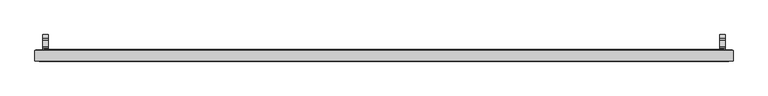
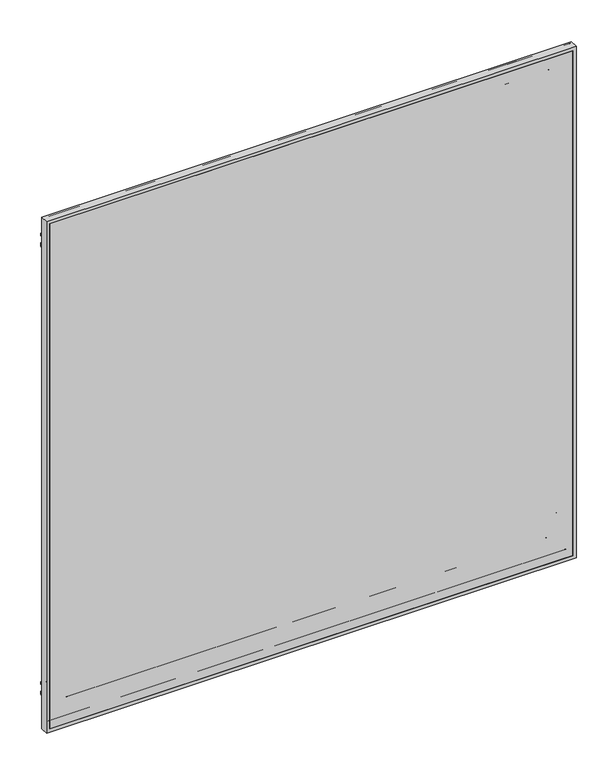
"""IFC4 building model written with IfcOpenShell, lengths in millimetres: proxy geometry."""

from ifc_helpers import new_model, si_unit, point, frame, frame_2d, origin, place, context, project, spatial, polyline, circle_curve, ellipse_curve, trimmed, segment, composite_curve, outline, extrude, source, transform, mapped, element, save
from ifc_brep_helpers import plane_surface, cylinder_surface, advanced_brep


def specialty_equipment_284dc39b(model_context):
    return source(origin(), model_context, "Body", "SolidModel", [
        advanced_brep(
        [(-624.5838789, -9.1390123, 46.5862514), (463.0313039, -9.1390123, 46.5862514), (463.3007116, -8.26542, 46.3168437), (-624.8532866, -8.26542, 46.3168437), (-625.7576943, -10.3128277, 45.412436), (464.2051193, -10.3128277, 45.412436), (-618.6710943, -9.1390123, 52.499036), (457.1185193, -9.1390123, 52.499036), (455.9447039, -10.3128277, 53.6728514), (-617.4972789, -10.3128277, 53.6728514), (-618.4016866, -8.26542, 52.7684437), (456.8491116, -8.26542, 52.7684437), (-602.1202866, -9.40842, 69.0498437), (440.5677116, -9.40842, 69.0498437), (441.3297116, -8.26542, 68.2878437), (-602.8822866, -8.26542, 68.2878437), (-589.8012866, -16.52042, 81.3688437), (428.2487116, -16.52042, 81.3688437), (428.2487116, -9.40842, 81.3688437), (-589.8012866, -9.40842, 81.3688437), (-673.6594429, -9.78942, -2.4893126), (512.1068679, -9.78942, -2.4893126), (512.1068679, -27.57958, -2.4893126), (-673.6594429, -27.57958, -2.4893126), (-672.1354429, -8.26542, -0.9653126), (510.5828679, -8.26542, -0.9653126), (-670.0880352, -9.1390123, 1.082095), (508.5354603, -9.1390123, 1.082095), (508.8048679, -8.26542, 0.8126874), (-670.3574429, -8.26542, 0.8126874), (-671.2618506, -10.3128277, -0.0917203), (509.7092756, -10.3128277, -0.0917203), (-661.3430943, -9.1390123, 9.827036), (499.7905193, -9.1390123, 9.827036), (498.6167039, -10.3128277, 11.0008514), (-660.1692789, -10.3128277, 11.0008514), (-661.0736866, -8.26542, 10.0964437), (499.5211116, -8.26542, 10.0964437), (-656.1841866, -8.26542, 14.9859437), (494.6316116, -8.26542, 14.9859437), (496.1556116, -8.26542, 13.4619437), (-657.7081866, -8.26542, 13.4619437), (-650.2151866, -8.26542, 20.9549437), (488.6626116, -8.26542, 20.9549437), (491.0756116, -8.26542, 18.5419437), (-652.6281866, -8.26542, 18.5419437), (463.0313039, -9.1390123, 1157.424436), (463.3007116, -8.26542, 1157.6938437), (464.2051193, -10.3128277, 1158.5982514), (457.1185193, -9.1390123, 1151.5116514), (455.9447039, -10.3128277, 1150.337836), (456.8491116, -8.26542, 1151.2422437), (440.5677116, -9.40842, 1134.9608437), (441.3297116, -8.26542, 1135.7228437), (428.2487116, -16.52042, 1122.6418437), (428.2487116, -9.40842, 1122.6418437), (512.1068679, -9.78942, 1206.5), (512.1068679, -27.57958, 1206.5), (510.5828679, -8.26542, 1204.976), (508.5354603, -9.1390123, 1202.9285923), (508.8048679, -8.26542, 1203.198), (509.7092756, -10.3128277, 1204.1024077), (499.7905193, -9.1390123, 1194.1836514), (498.6167039, -10.3128277, 1193.009836), (499.5211116, -8.26542, 1193.9142437), (494.6316116, -8.26542, 1189.0247437), (496.1556116, -8.26542, 1190.5487437), (488.6626116, -8.26542, 1183.0557437), (491.0756116, -8.26542, 1185.4687437), (-624.5838789, -9.1390123, 1157.424436), (-624.8532866, -8.26542, 1157.6938437), (-625.7576943, -10.3128277, 1158.5982514), (-618.6710943, -9.1390123, 1151.5116514), (-617.4972789, -10.3128277, 1150.337836), (-618.4016866, -8.26542, 1151.2422437), (-602.1202866, -9.40842, 1134.9608437), (-602.8822866, -8.26542, 1135.7228437), (-589.8012866, -16.52042, 1122.6418437), (-589.8012866, -9.40842, 1122.6418437), (-673.6594429, -9.78942, 1206.5), (-673.6594429, -27.57958, 1206.5), (-672.1354429, -8.26542, 1204.976), (-670.0880352, -9.1390123, 1202.9285923), (-670.3574429, -8.26542, 1203.198), (-671.2618506, -10.3128277, 1204.1024077), (-661.3430943, -9.1390123, 1194.1836514), (-660.1692789, -10.3128277, 1193.009836), (-661.0736866, -8.26542, 1193.9142437), (-656.1841866, -8.26542, 1189.0247437), (-657.7081866, -8.26542, 1190.5487437), (-650.2151866, -8.26542, 1183.0557437), (-652.6281866, -8.26542, 1185.4687437), (-666.2934429, -27.57958, 4.8766874), (504.7408679, -27.57958, 4.8766874), (504.7408679, -16.52042, 4.8766874), (-666.2934429, -16.52042, 4.8766874), (504.7408679, -27.57958, 1199.134), (504.7408679, -16.52042, 1199.134), (-666.2934429, -27.57958, 1199.134), (-666.2934429, -16.52042, 1199.134)],
        [
            (0, 1),
            (1, 2, ellipse_curve(frame((463.3968963, -8.77342, 46.220659), z_axis=(-0.7071067811865475, 0.0, -0.7071067811865475), x_axis=(-0.7071067811865476, 0.0, 0.7071067811865474)), 0.7311846, 0.5170256)),
            (2, 3),
            (3, 0, ellipse_curve(frame((-624.9494712, -8.77342, 46.220659), z_axis=(0.7071067811865475, 0.0, -0.7071067811865475), x_axis=(-0.7071067811865476, 0.0, -0.7071067811865474)), 0.7311846, 0.5170256)),
            (4, 5),
            (5, 1),
            (0, 4),
            (6, 7),
            (7, 8),
            (8, 9),
            (9, 6),
            (10, 11),
            (11, 7, ellipse_curve(frame((456.752927, -8.77342, 52.8646283), z_axis=(-0.7071067811865475, 0.0, -0.7071067811865475), x_axis=(-0.7071067811865476, 0.0, 0.7071067811865474)), 0.7311846, 0.5170256)),
            (6, 10, ellipse_curve(frame((-618.305502, -8.77342, 52.8646283), z_axis=(0.7071067811865475, 0.0, -0.7071067811865475), x_axis=(-0.7071067811865476, 0.0, -0.7071067811865474)), 0.7311846, 0.5170256)),
            (12, 13),
            (13, 14),
            (14, 15),
            (15, 12),
            (16, 17),
            (17, 18),
            (18, 19),
            (19, 16),
            (20, 21),
            (21, 22),
            (22, 23),
            (23, 20),
            (24, 25),
            (25, 21),
            (20, 24),
            (26, 27),
            (27, 28, ellipse_curve(frame((508.9010526, -8.77342, 0.7165027), z_axis=(-0.7071067811865475, 0.0, -0.7071067811865475), x_axis=(-0.7071067811865476, 0.0, 0.7071067811865474)), 0.7311846, 0.5170256)),
            (28, 29),
            (29, 26, ellipse_curve(frame((-670.4536275, -8.77342, 0.7165027), z_axis=(0.7071067811865475, 0.0, -0.7071067811865475), x_axis=(-0.7071067811865476, 0.0, -0.7071067811865474)), 0.7311846, 0.5170256)),
            (30, 31),
            (31, 27),
            (26, 30),
            (32, 33),
            (33, 34),
            (34, 35),
            (35, 32),
            (36, 37),
            (37, 33, ellipse_curve(frame((499.424927, -8.77342, 10.1926283), z_axis=(-0.7071067811865475, 0.0, -0.7071067811865475), x_axis=(-0.7071067811865476, 0.0, 0.7071067811865474)), 0.7311846, 0.5170256)),
            (32, 36, ellipse_curve(frame((-660.977502, -8.77342, 10.1926283), z_axis=(0.7071067811865475, 0.0, -0.7071067811865475), x_axis=(-0.7071067811865476, 0.0, -0.7071067811865474)), 0.7311846, 0.5170256)),
            (38, 39),
            (39, 40, ellipse_curve(frame((495.3936116, -8.26542, 14.2239437), z_axis=(-0.7071067811865475, 0.0, -0.7071067811865475), x_axis=(-0.7071067811865476, 0.0, 0.7071067811865474)), 1.0776307, 0.762)),
            (40, 41),
            (41, 38, ellipse_curve(frame((-656.9461866, -8.26542, 14.2239437), z_axis=(0.7071067811865475, 0.0, -0.7071067811865475), x_axis=(-0.7071067811865476, 0.0, -0.7071067811865474)), 1.0776307, 0.762)),
            (42, 43),
            (43, 44, ellipse_curve(frame((489.8691116, -8.9837931, 19.7484437), z_axis=(-0.7071067811865475, 0.0, -0.7071067811865475), x_axis=(-0.7071067811865476, 0.0, 0.7071067811865474)), 1.9858007, 1.4041731)),
            (44, 45),
            (45, 42, ellipse_curve(frame((-651.4216866, -8.9837931, 19.7484437), z_axis=(0.7071067811865475, 0.0, -0.7071067811865475), x_axis=(-0.7071067811865476, 0.0, -0.7071067811865474)), 1.9858007, 1.4041731)),
            (1, 46),
            (46, 47, ellipse_curve(frame((463.3968963, -8.77342, 1157.7900283), z_axis=(0.7071067811865475, 0.0, -0.7071067811865475), x_axis=(-0.7071067811865474, 0.0, -0.7071067811865476)), 0.7311846, 0.5170256)),
            (47, 2),
            (5, 48),
            (48, 46),
            (7, 49),
            (49, 50),
            (50, 8),
            (11, 51),
            (51, 49, ellipse_curve(frame((456.752927, -8.77342, 1151.146059), z_axis=(0.7071067811865475, 0.0, -0.7071067811865475), x_axis=(-0.7071067811865474, 0.0, -0.7071067811865476)), 0.7311846, 0.5170256)),
            (13, 52),
            (52, 53),
            (53, 14),
            (17, 54),
            (54, 55),
            (55, 18),
            (21, 56),
            (56, 57),
            (57, 22),
            (25, 58),
            (58, 56),
            (27, 59),
            (59, 60, ellipse_curve(frame((508.9010526, -8.77342, 1203.2941846), z_axis=(0.7071067811865475, 0.0, -0.7071067811865475), x_axis=(-0.7071067811865474, 0.0, -0.7071067811865476)), 0.7311846, 0.5170256)),
            (60, 28),
            (31, 61),
            (61, 59),
            (33, 62),
            (62, 63),
            (63, 34),
            (37, 64),
            (64, 62, ellipse_curve(frame((499.424927, -8.77342, 1193.818059), z_axis=(0.7071067811865475, 0.0, -0.7071067811865475), x_axis=(-0.7071067811865474, 0.0, -0.7071067811865476)), 0.7311846, 0.5170256)),
            (39, 65),
            (65, 66, ellipse_curve(frame((495.3936116, -8.26542, 1189.7867437), z_axis=(0.7071067811865475, 0.0, -0.7071067811865475), x_axis=(-0.7071067811865474, 0.0, -0.7071067811865476)), 1.0776307, 0.762)),
            (66, 40),
            (43, 67),
            (67, 68, ellipse_curve(frame((489.8691116, -8.9837931, 1184.2622437), z_axis=(0.7071067811865475, 0.0, -0.7071067811865475), x_axis=(-0.7071067811865474, 0.0, -0.7071067811865476)), 1.9858007, 1.4041731)),
            (68, 44),
            (46, 69),
            (69, 70, ellipse_curve(frame((-624.9494712, -8.77342, 1157.7900283), z_axis=(0.7071067811865475, 0.0, 0.7071067811865475), x_axis=(0.7071067811865476, 0.0, -0.7071067811865474)), 0.7311846, 0.5170256)),
            (70, 47),
            (48, 71),
            (71, 69),
            (49, 72),
            (72, 73),
            (73, 50),
            (51, 74),
            (74, 72, ellipse_curve(frame((-618.305502, -8.77342, 1151.146059), z_axis=(0.7071067811865475, 0.0, 0.7071067811865475), x_axis=(0.7071067811865476, 0.0, -0.7071067811865474)), 0.7311846, 0.5170256)),
            (52, 75),
            (75, 76),
            (76, 53),
            (54, 77),
            (77, 78),
            (78, 55),
            (56, 79),
            (79, 80),
            (80, 57),
            (58, 81),
            (81, 79),
            (59, 82),
            (82, 83, ellipse_curve(frame((-670.4536275, -8.77342, 1203.2941846), z_axis=(0.7071067811865475, 0.0, 0.7071067811865475), x_axis=(0.7071067811865476, 0.0, -0.7071067811865474)), 0.7311846, 0.5170256)),
            (83, 60),
            (61, 84),
            (84, 82),
            (62, 85),
            (85, 86),
            (86, 63),
            (64, 87),
            (87, 85, ellipse_curve(frame((-660.977502, -8.77342, 1193.818059), z_axis=(0.7071067811865475, 0.0, 0.7071067811865475), x_axis=(0.7071067811865476, 0.0, -0.7071067811865474)), 0.7311846, 0.5170256)),
            (65, 88),
            (88, 89, ellipse_curve(frame((-656.9461866, -8.26542, 1189.7867437), z_axis=(0.7071067811865475, 0.0, 0.7071067811865475), x_axis=(0.7071067811865476, 0.0, -0.7071067811865474)), 1.0776307, 0.762)),
            (89, 66),
            (67, 90),
            (90, 91, ellipse_curve(frame((-651.4216866, -8.9837931, 1184.2622437), z_axis=(0.7071067811865475, 0.0, 0.7071067811865475), x_axis=(0.7071067811865476, 0.0, -0.7071067811865474)), 1.9858007, 1.4041731)),
            (91, 68),
            (42, 90),
            (70, 3),
            (69, 0),
            (71, 4),
            (73, 9),
            (72, 6),
            (74, 10),
            (76, 15),
            (75, 12),
            (78, 19),
            (77, 16),
            (79, 20),
            (23, 80),
            (81, 24),
            (83, 29),
            (82, 26),
            (84, 30),
            (86, 35),
            (85, 32),
            (87, 36),
            (89, 41),
            (88, 38),
            (91, 45),
            (92, 93),
            (93, 94),
            (94, 95),
            (95, 92),
            (93, 96),
            (96, 97),
            (97, 94),
            (96, 98),
            (98, 99),
            (99, 97),
            (99, 95),
            (98, 92),
        ],
        [
            cylinder_surface(frame((-589.8012866, -8.77342, 46.220659), z_axis=(-1.0, 0.0, 0.0), x_axis=(0.0, 0.0, 1.0)), 0.5170256),
            plane_surface(frame((-624.5838789, -9.1390123, 46.5862514), z_axis=(0.0, -0.7071067813015153, 0.7071067810715799), x_axis=(1.0, 0.0, 0.0))),
            plane_surface(frame((-617.4972789, -10.3128277, 53.6728514), z_axis=(0.0, -0.7071067813016508, -0.7071067810714443), x_axis=(1.0, 0.0, 0.0))),
            cylinder_surface(frame((-589.8012866, -8.77342, 52.8646283), z_axis=(-1.0, 0.0, 0.0), x_axis=(0.0, 0.0, 1.0)), 0.5170256),
            plane_surface(frame((-602.8822866, -8.26542, 68.2878437), z_axis=(0.0, 0.55470019597669, 0.8320502945035365), x_axis=(1.0, 0.0, 0.0))),
            plane_surface(frame((-589.8012866, -9.40842, 81.3688437), z_axis=(0.0, 0.0, 1.0), x_axis=(1.0, 0.0, 0.0))),
            plane_surface(frame((-673.6594429, -27.57958, -2.4893126), z_axis=(0.0, 0.0, -1.0), x_axis=(1.0, 0.0, 0.0))),
            plane_surface(frame((-673.6594429, -9.78942, -2.4893126), z_axis=(0.0, 0.7071067810149522, -0.7071067813581429), x_axis=(1.0, 0.0, 0.0))),
            cylinder_surface(frame((-589.8012866, -8.77342, 0.7165027), z_axis=(-1.0, 0.0, 0.0), x_axis=(0.0, 0.0, 1.0)), 0.5170256),
            plane_surface(frame((-670.0880352, -9.1390123, 1.082095), z_axis=(0.0, -0.7071067811139136, 0.7071067812591816), x_axis=(1.0, 0.0, 0.0))),
            plane_surface(frame((-660.1692789, -10.3128277, 11.0008514), z_axis=(0.0, -0.707106781188025, -0.7071067811850702), x_axis=(1.0, 0.0, 0.0))),
            cylinder_surface(frame((-589.8012866, -8.77342, 10.1926283), z_axis=(-1.0, 0.0, 0.0), x_axis=(0.0, 0.0, 1.0)), 0.5170256),
            cylinder_surface(frame((-589.8012866, -8.26542, 14.2239437), z_axis=(-1.0, 0.0, 0.0), x_axis=(0.0, 0.0, 1.0)), 0.762),
            cylinder_surface(frame((-589.8012866, -8.9837931, 19.7484437), z_axis=(-1.0, 0.0, 0.0), x_axis=(0.0, 0.0, 1.0)), 1.4041731),
            cylinder_surface(frame((463.3968963, -8.77342, 81.3688437), z_axis=(0.0, 0.0, -1.0), x_axis=(-1.0, 0.0, 0.0)), 0.5170256),
            plane_surface(frame((463.0313039, -9.1390123, 46.5862514), z_axis=(-0.7071067810715701, -0.707106781301525, 0.0), x_axis=(0.0, 0.0, 1.0))),
            plane_surface(frame((455.9447039, -10.3128277, 53.6728514), z_axis=(0.7071067810714541, -0.7071067813016411, 0.0), x_axis=(0.0, 0.0, 1.0))),
            cylinder_surface(frame((456.752927, -8.77342, 81.3688437), z_axis=(0.0, 0.0, -1.0), x_axis=(-1.0, 0.0, 0.0)), 0.5170256),
            plane_surface(frame((441.3297116, -8.26542, 68.2878437), z_axis=(-0.8320502945035442, 0.5547001959766784, 0.0), x_axis=(0.0, 0.0, 1.0))),
            plane_surface(frame((428.2487116, -9.40842, 81.3688437), z_axis=(-1.0, 0.0, 0.0), x_axis=(0.0, 0.0, 1.0))),
            plane_surface(frame((512.1068679, -27.57958, -2.4893126), z_axis=(1.0, 0.0, 0.0), x_axis=(0.0, 0.0, 1.0))),
            plane_surface(frame((512.1068679, -9.78942, -2.4893126), z_axis=(0.7071067813581331, 0.7071067810149619, 0.0), x_axis=(0.0, 0.0, 1.0))),
            cylinder_surface(frame((508.9010526, -8.77342, 81.3688437), z_axis=(0.0, 0.0, -1.0), x_axis=(-1.0, 0.0, 0.0)), 0.5170256),
            plane_surface(frame((508.5354603, -9.1390123, 1.082095), z_axis=(-0.7071067812591718, -0.7071067811139233, 0.0), x_axis=(0.0, 0.0, 1.0))),
            plane_surface(frame((498.6167039, -10.3128277, 11.0008514), z_axis=(0.70710678118508, -0.7071067811880152, 0.0), x_axis=(0.0, 0.0, 1.0))),
            cylinder_surface(frame((499.424927, -8.77342, 81.3688437), z_axis=(0.0, 0.0, -1.0), x_axis=(-1.0, 0.0, 0.0)), 0.5170256),
            cylinder_surface(frame((495.3936116, -8.26542, 81.3688437), z_axis=(0.0, 0.0, -1.0), x_axis=(-1.0, 0.0, 0.0)), 0.762),
            cylinder_surface(frame((489.8691116, -8.9837931, 81.3688437), z_axis=(0.0, 0.0, -1.0), x_axis=(-1.0, 0.0, 0.0)), 1.4041731),
            cylinder_surface(frame((428.2487116, -8.77342, 1157.7900283), z_axis=(1.0, 0.0, 0.0), x_axis=(0.0, 0.0, -1.0)), 0.5170256),
            plane_surface(frame((463.0313039, -9.1390123, 1157.424436), z_axis=(0.0, -0.7071067813015348, -0.7071067810715603), x_axis=(-1.0, 0.0, 0.0))),
            plane_surface(frame((455.9447039, -10.3128277, 1150.337836), z_axis=(0.0, -0.7071067813016313, 0.7071067810714639), x_axis=(-1.0, 0.0, 0.0))),
            cylinder_surface(frame((428.2487116, -8.77342, 1151.146059), z_axis=(1.0, 0.0, 0.0), x_axis=(0.0, 0.0, -1.0)), 0.5170256),
            plane_surface(frame((441.3297116, -8.26542, 1135.7228437), z_axis=(0.0, 0.5547001959766669, -0.8320502945035518), x_axis=(-1.0, 0.0, 0.0))),
            plane_surface(frame((428.2487116, -9.40842, 1122.6418437), z_axis=(0.0, 0.0, -1.0), x_axis=(-1.0, 0.0, 0.0))),
            plane_surface(frame((512.1068679, -27.57958, 1206.5), z_axis=(0.0, 0.0, 1.0), x_axis=(-1.0, 0.0, 0.0))),
            plane_surface(frame((512.1068679, -9.78942, 1206.5), z_axis=(0.0, 0.7071067810149717, 0.7071067813581233), x_axis=(-1.0, 0.0, 0.0))),
            cylinder_surface(frame((428.2487116, -8.77342, 1203.2941846), z_axis=(1.0, 0.0, 0.0), x_axis=(0.0, 0.0, -1.0)), 0.5170256),
            plane_surface(frame((508.5354603, -9.1390123, 1202.9285923), z_axis=(0.0, -0.7071067811139331, -0.707106781259162), x_axis=(-1.0, 0.0, 0.0))),
            plane_surface(frame((498.6167039, -10.3128277, 1193.009836), z_axis=(0.0, -0.7071067811880054, 0.7071067811850897), x_axis=(-1.0, 0.0, 0.0))),
            cylinder_surface(frame((428.2487116, -8.77342, 1193.818059), z_axis=(1.0, 0.0, 0.0), x_axis=(0.0, 0.0, -1.0)), 0.5170256),
            cylinder_surface(frame((428.2487116, -8.26542, 1189.7867437), z_axis=(1.0, 0.0, 0.0), x_axis=(0.0, 0.0, -1.0)), 0.762),
            cylinder_surface(frame((428.2487116, -8.9837931, 1184.2622437), z_axis=(1.0, 0.0, 0.0), x_axis=(0.0, 0.0, -1.0)), 1.4041731),
            plane_surface(frame((-650.2151866, -8.26542, 1183.0557437), z_axis=(0.0, 1.0, 0.0), x_axis=(0.0, 0.0, -1.0))),
            cylinder_surface(frame((-624.9494712, -8.77342, 1122.6418437), z_axis=(0.0, 0.0, 1.0), x_axis=(1.0, 0.0, 0.0)), 0.5170256),
            plane_surface(frame((-624.5838789, -9.1390123, 1157.424436), z_axis=(0.7071067810715701, -0.707106781301525, 0.0), x_axis=(0.0, 0.0, -1.0))),
            plane_surface(frame((-625.7576943, -10.3128277, 1158.5982514), z_axis=(0.0, 1.0, 0.0), x_axis=(0.0, 0.0, -1.0))),
            plane_surface(frame((-617.4972789, -10.3128277, 1150.337836), z_axis=(-0.7071067810714541, -0.7071067813016411, 0.0), x_axis=(0.0, 0.0, -1.0))),
            cylinder_surface(frame((-618.305502, -8.77342, 1122.6418437), z_axis=(0.0, 0.0, 1.0), x_axis=(1.0, 0.0, 0.0)), 0.5170256),
            plane_surface(frame((-618.4016866, -8.26542, 1151.2422437), z_axis=(0.0, 1.0, 0.0), x_axis=(0.0, 0.0, -1.0))),
            plane_surface(frame((-602.8822866, -8.26542, 1135.7228437), z_axis=(0.8320502945035442, 0.5547001959766784, 0.0), x_axis=(0.0, 0.0, -1.0))),
            plane_surface(frame((-602.1202866, -9.40842, 1134.9608437), z_axis=(0.0, 1.0, 0.0), x_axis=(0.0, 0.0, -1.0))),
            plane_surface(frame((-589.8012866, -9.40842, 1122.6418437), z_axis=(1.0, 0.0, 0.0), x_axis=(0.0, 0.0, -1.0))),
            plane_surface(frame((-673.6594429, -27.57958, 1206.5), z_axis=(-1.0, 0.0, 0.0), x_axis=(0.0, 0.0, -1.0))),
            plane_surface(frame((-673.6594429, -9.78942, 1206.5), z_axis=(-0.7071067813581331, 0.7071067810149619, 0.0), x_axis=(0.0, 0.0, -1.0))),
            plane_surface(frame((-672.1354429, -8.26542, 1204.976), z_axis=(0.0, 1.0, 0.0), x_axis=(0.0, 0.0, -1.0))),
            cylinder_surface(frame((-670.4536275, -8.77342, 1122.6418437), z_axis=(0.0, 0.0, 1.0), x_axis=(1.0, 0.0, 0.0)), 0.5170256),
            plane_surface(frame((-670.0880352, -9.1390123, 1202.9285923), z_axis=(0.7071067812591718, -0.7071067811139233, 0.0), x_axis=(0.0, 0.0, -1.0))),
            plane_surface(frame((-671.2618506, -10.3128277, 1204.1024077), z_axis=(0.0, 1.0, 0.0), x_axis=(0.0, 0.0, -1.0))),
            plane_surface(frame((-660.1692789, -10.3128277, 1193.009836), z_axis=(-0.70710678118508, -0.7071067811880152, 0.0), x_axis=(0.0, 0.0, -1.0))),
            cylinder_surface(frame((-660.977502, -8.77342, 1122.6418437), z_axis=(0.0, 0.0, 1.0), x_axis=(1.0, 0.0, 0.0)), 0.5170256),
            plane_surface(frame((-661.0736866, -8.26542, 1193.9142437), z_axis=(0.0, 1.0, 0.0), x_axis=(0.0, 0.0, -1.0))),
            cylinder_surface(frame((-656.9461866, -8.26542, 1122.6418437), z_axis=(0.0, 0.0, 1.0), x_axis=(1.0, 0.0, 0.0)), 0.762),
            plane_surface(frame((-656.1841866, -8.26542, 1189.0247437), z_axis=(0.0, 1.0, 0.0), x_axis=(0.0, 0.0, -1.0))),
            cylinder_surface(frame((-651.4216866, -8.9837931, 1122.6418437), z_axis=(0.0, 0.0, 1.0), x_axis=(1.0, 0.0, 0.0)), 1.4041731),
            plane_surface(frame((-666.2934429, -16.52042, 4.8766874), z_axis=(0.0, 0.0, 1.0), x_axis=(1.0, 0.0, 0.0))),
            plane_surface(frame((504.7408679, -16.52042, 4.8766874), z_axis=(-1.0, 0.0, 0.0), x_axis=(0.0, 0.0, 1.0))),
            plane_surface(frame((504.7408679, -16.52042, 1199.134), z_axis=(0.0, 0.0, -1.0), x_axis=(-1.0, 0.0, 0.0))),
            plane_surface(frame((-589.8012866, -16.52042, 1122.6418437), z_axis=(0.0, -1.0, 0.0), x_axis=(0.0, 0.0, -1.0))),
            plane_surface(frame((-666.2934429, -16.52042, 1199.134), z_axis=(1.0, 0.0, 0.0), x_axis=(0.0, 0.0, -1.0))),
            plane_surface(frame((-666.2934429, -27.57958, 1199.134), z_axis=(0.0, -1.0, 0.0), x_axis=(0.0, 0.0, -1.0))),
        ],
        [
            (0, [[1, 2, 3, 4]]),
            (1, [[5, 6, -1, 7]]),
            (2, [[8, 9, 10, 11]]),
            (3, [[12, 13, -8, 14]]),
            (4, [[15, 16, 17, 18]]),
            (5, [[19, 20, 21, 22]]),
            (6, [[23, 24, 25, 26]]),
            (7, [[27, 28, -23, 29]]),
            (8, [[30, 31, 32, 33]]),
            (9, [[34, 35, -30, 36]]),
            (10, [[37, 38, 39, 40]]),
            (11, [[41, 42, -37, 43]]),
            (12, [[44, 45, 46, 47]]),
            (13, [[48, 49, 50, 51]]),
            (14, [[52, 53, 54, -2]]),
            (15, [[55, 56, -52, -6]]),
            (16, [[57, 58, 59, -9]]),
            (17, [[60, 61, -57, -13]]),
            (18, [[62, 63, 64, -16]]),
            (19, [[65, 66, 67, -20]]),
            (20, [[68, 69, 70, -24]]),
            (21, [[71, 72, -68, -28]]),
            (22, [[73, 74, 75, -31]]),
            (23, [[76, 77, -73, -35]]),
            (24, [[78, 79, 80, -38]]),
            (25, [[81, 82, -78, -42]]),
            (26, [[83, 84, 85, -45]]),
            (27, [[86, 87, 88, -49]]),
            (28, [[89, 90, 91, -53]]),
            (29, [[92, 93, -89, -56]]),
            (30, [[94, 95, 96, -58]]),
            (31, [[97, 98, -94, -61]]),
            (32, [[99, 100, 101, -63]]),
            (33, [[102, 103, 104, -66]]),
            (34, [[105, 106, 107, -69]]),
            (35, [[108, 109, -105, -72]]),
            (36, [[110, 111, 112, -74]]),
            (37, [[113, 114, -110, -77]]),
            (38, [[115, 116, 117, -79]]),
            (39, [[118, 119, -115, -82]]),
            (40, [[120, 121, 122, -84]]),
            (41, [[123, 124, 125, -87]]),
            (42, [[-48, 126, -123, -86], [-3, -54, -91, 127]]),
            (43, [[128, -4, -127, -90]]),
            (44, [[129, -7, -128, -93]]),
            (45, [[-5, -129, -92, -55], [-10, -59, -96, 130]]),
            (46, [[131, -11, -130, -95]]),
            (47, [[132, -14, -131, -98]]),
            (48, [[-12, -132, -97, -60], [-17, -64, -101, 133]]),
            (49, [[134, -18, -133, -100]]),
            (50, [[-15, -134, -99, -62], [-21, -67, -104, 135]]),
            (51, [[136, -22, -135, -103]]),
            (52, [[137, -26, 138, -106]]),
            (53, [[139, -29, -137, -109]]),
            (54, [[-27, -139, -108, -71], [-32, -75, -112, 140]]),
            (55, [[141, -33, -140, -111]]),
            (56, [[142, -36, -141, -114]]),
            (57, [[-34, -142, -113, -76], [-39, -80, -117, 143]]),
            (58, [[144, -40, -143, -116]]),
            (59, [[145, -43, -144, -119]]),
            (60, [[-41, -145, -118, -81], [-46, -85, -122, 146]]),
            (61, [[147, -47, -146, -121]]),
            (62, [[-44, -147, -120, -83], [-50, -88, -125, 148]]),
            (63, [[-126, -51, -148, -124]]),
            (64, [[149, 150, 151, 152]]),
            (65, [[153, 154, 155, -150]]),
            (66, [[156, 157, 158, -154]]),
            (67, [[-151, -155, -158, 159], [-19, -136, -102, -65]]),
            (68, [[160, -152, -159, -157]]),
            (69, [[-25, -70, -107, -138], [-149, -160, -156, -153]]),
        ],
    ),
        extrude(outline(composite_curve([segment(trimmed(circle_curve(frame_2d((2.969762, 1105.9622991)), 8.9999998), [point((8.6264069, 1112.962468))], [point((-2.6868829, 1112.962468))], True, "CARTESIAN"), True, "CONTINUOUS"), segment(polyline([(-2.6868829, 1112.962468), (-6.03022, 1112.962468), (-6.03022, 1096.264), (-9.02742, 1096.264), (-9.02742, 1170.6606), (-6.03022, 1170.6606), (-6.03022, 1153.962132), (-2.6868829, 1153.962132)]), True, "CONTINUOUS"), segment(trimmed(circle_curve(frame_2d((2.969762, 1160.9623009)), 8.9999998), [point((-2.6868829, 1153.962132))], [point((8.6264069, 1153.962132))], True, "CARTESIAN"), True, "CONTINUOUS"), segment(polyline([(8.6264069, 1153.962132), (11.464792, 1153.962132), (17.46478, 1147.962144), (17.46478, 1141.9623008), (3.517907, 1139.8916891)]), True, "CONTINUOUS"), segment(trimmed(circle_curve(frame_2d((4.4724412, 1133.4623)), 6.49986), [point((3.517907, 1139.8916891))], [point((3.517907, 1127.0329109))], True, "CARTESIAN"), True, "CONTINUOUS"), segment(polyline([(3.517907, 1127.0329109), (17.46478, 1124.9622992), (17.46478, 1118.962456), (11.464792, 1112.962468), (8.6264069, 1112.962468)]), True, "CONTINUOUS")], self_intersect=False), holes=[composite_curve([segment(trimmed(circle_curve(frame_2d((7.48258, 1119.9623)), 2.7813), [point((10.26388, 1119.9623))], [point((4.70128, 1119.9623))], True, "CARTESIAN"), True, "CONTINUOUS"), segment(trimmed(circle_curve(frame_2d((7.48258, 1119.9623)), 2.7813), [point((4.70128, 1119.9623))], [point((10.26388, 1119.9623))], True, "CARTESIAN"), True, "CONTINUOUS")], self_intersect=False), composite_curve([segment(trimmed(circle_curve(frame_2d((7.48258, 1146.9623)), 2.7813), [point((10.26388, 1146.9623))], [point((4.70128, 1146.9623))], True, "CARTESIAN"), True, "CONTINUOUS"), segment(trimmed(circle_curve(frame_2d((7.48258, 1146.9623)), 2.7813), [point((4.70128, 1146.9623))], [point((10.26388, 1146.9623))], True, "CARTESIAN"), True, "CONTINUOUS")], self_intersect=False)]), frame((489.1198116, 0.0, 0.0), z_axis=(1.0, 0.0, 0.0), x_axis=(0.0, 1.0, 0.0)), (0.0, 0.0, 1.0), 10.0076),
        extrude(outline(composite_curve([segment(trimmed(circle_curve(frame_2d((2.969762, 45.5376991)), 8.9999998), [point((8.6264069, 52.537868))], [point((-2.6868829, 52.537868))], True, "CARTESIAN"), True, "CONTINUOUS"), segment(polyline([(-2.6868829, 52.537868), (-6.03022, 52.537868), (-6.03022, 35.8394), (-9.02742, 35.8394), (-9.02742, 110.236), (-6.03022, 110.236), (-6.03022, 93.537532), (-2.6868829, 93.537532)]), True, "CONTINUOUS"), segment(trimmed(circle_curve(frame_2d((2.969762, 100.5377009)), 8.9999998), [point((-2.6868829, 93.537532))], [point((8.6264069, 93.537532))], True, "CARTESIAN"), True, "CONTINUOUS"), segment(polyline([(8.6264069, 93.537532), (11.464792, 93.537532), (17.46478, 87.537544), (17.46478, 81.5377008), (3.517907, 79.4670891)]), True, "CONTINUOUS"), segment(trimmed(circle_curve(frame_2d((4.4724412, 73.0377)), 6.49986), [point((3.517907, 79.4670891))], [point((3.517907, 66.6083109))], True, "CARTESIAN"), True, "CONTINUOUS"), segment(polyline([(3.517907, 66.6083109), (17.46478, 64.5376992), (17.46478, 58.537856), (11.464792, 52.537868), (8.6264069, 52.537868)]), True, "CONTINUOUS")], self_intersect=False), holes=[composite_curve([segment(trimmed(circle_curve(frame_2d((7.48258, 59.5377)), 2.7813), [point((10.26388, 59.5377))], [point((4.70128, 59.5377))], True, "CARTESIAN"), True, "CONTINUOUS"), segment(trimmed(circle_curve(frame_2d((7.48258, 59.5377)), 2.7813), [point((4.70128, 59.5377))], [point((10.26388, 59.5377))], True, "CARTESIAN"), True, "CONTINUOUS")], self_intersect=False), composite_curve([segment(trimmed(circle_curve(frame_2d((7.48258, 86.5377)), 2.7813), [point((10.26388, 86.5377))], [point((4.70128, 86.5377))], True, "CARTESIAN"), True, "CONTINUOUS"), segment(trimmed(circle_curve(frame_2d((7.48258, 86.5377)), 2.7813), [point((4.70128, 86.5377))], [point((10.26388, 86.5377))], True, "CARTESIAN"), True, "CONTINUOUS")], self_intersect=False)]), frame((489.1198116, 0.0, 0.0), z_axis=(1.0, 0.0, 0.0), x_axis=(0.0, 1.0, 0.0)), (0.0, 0.0, 1.0), 10.0076),
        extrude(outline(composite_curve([segment(polyline([(-6.03022, 1170.6606), (-6.03022, 1153.962132), (-2.6868829, 1153.962132)]), True, "CONTINUOUS"), segment(trimmed(circle_curve(frame_2d((2.969762, 1160.9623009)), 8.9999998), [point((-2.6868829, 1153.962132))], [point((8.6264069, 1153.962132))], True, "CARTESIAN"), True, "CONTINUOUS"), segment(polyline([(8.6264069, 1153.962132), (11.464792, 1153.962132), (17.46478, 1147.962144), (17.46478, 1141.9623008), (3.517907, 1139.8916891)]), True, "CONTINUOUS"), segment(trimmed(circle_curve(frame_2d((4.4724412, 1133.4623)), 6.49986), [point((3.517907, 1139.8916891))], [point((3.517907, 1127.0329109))], True, "CARTESIAN"), True, "CONTINUOUS"), segment(polyline([(3.517907, 1127.0329109), (17.46478, 1124.9622992), (17.46478, 1118.962456), (11.464792, 1112.962468), (8.6264069, 1112.962468)]), True, "CONTINUOUS"), segment(trimmed(circle_curve(frame_2d((2.969762, 1105.9622991)), 8.9999998), [point((8.6264069, 1112.962468))], [point((-2.6868829, 1112.962468))], True, "CARTESIAN"), True, "CONTINUOUS"), segment(polyline([(-2.6868829, 1112.962468), (-6.03022, 1112.962468), (-6.03022, 1096.264), (-9.02742, 1096.264), (-9.02742, 1170.6606), (-6.03022, 1170.6606)]), True, "CONTINUOUS")], self_intersect=False), holes=[composite_curve([segment(trimmed(circle_curve(frame_2d((7.48258, 1119.9623)), 2.7813), [point((10.26388, 1119.9623))], [point((4.70128, 1119.9623))], True, "CARTESIAN"), True, "CONTINUOUS"), segment(trimmed(circle_curve(frame_2d((7.48258, 1119.9623)), 2.7813), [point((4.70128, 1119.9623))], [point((10.26388, 1119.9623))], True, "CARTESIAN"), True, "CONTINUOUS")], self_intersect=False), composite_curve([segment(trimmed(circle_curve(frame_2d((7.48258, 1146.9623)), 2.7813), [point((10.26388, 1146.9623))], [point((4.70128, 1146.9623))], True, "CARTESIAN"), True, "CONTINUOUS"), segment(trimmed(circle_curve(frame_2d((7.48258, 1146.9623)), 2.7813), [point((4.70128, 1146.9623))], [point((10.26388, 1146.9623))], True, "CARTESIAN"), True, "CONTINUOUS")], self_intersect=False)]), frame((-660.6799866, 0.0, 0.0), z_axis=(1.0, 0.0, 0.0), x_axis=(0.0, 1.0, 0.0)), (0.0, 0.0, 1.0), 10.0076),
        extrude(outline(composite_curve([segment(polyline([(-6.03022, 110.236), (-6.03022, 93.537532), (-2.6868829, 93.537532)]), True, "CONTINUOUS"), segment(trimmed(circle_curve(frame_2d((2.969762, 100.5377009)), 8.9999998), [point((-2.6868829, 93.537532))], [point((8.6264069, 93.537532))], True, "CARTESIAN"), True, "CONTINUOUS"), segment(polyline([(8.6264069, 93.537532), (11.464792, 93.537532), (17.46478, 87.537544), (17.46478, 81.5377008), (3.517907, 79.4670891)]), True, "CONTINUOUS"), segment(trimmed(circle_curve(frame_2d((4.4724412, 73.0377)), 6.49986), [point((3.517907, 79.4670891))], [point((3.517907, 66.6083109))], True, "CARTESIAN"), True, "CONTINUOUS"), segment(polyline([(3.517907, 66.6083109), (17.46478, 64.5376992), (17.46478, 58.537856), (11.464792, 52.537868), (8.6264069, 52.537868)]), True, "CONTINUOUS"), segment(trimmed(circle_curve(frame_2d((2.969762, 45.5376991)), 8.9999998), [point((8.6264069, 52.537868))], [point((-2.6868829, 52.537868))], True, "CARTESIAN"), True, "CONTINUOUS"), segment(polyline([(-2.6868829, 52.537868), (-6.03022, 52.537868), (-6.03022, 35.8394), (-9.02742, 35.8394), (-9.02742, 110.236), (-6.03022, 110.236)]), True, "CONTINUOUS")], self_intersect=False), holes=[composite_curve([segment(trimmed(circle_curve(frame_2d((7.48258, 59.5377)), 2.7813), [point((10.26388, 59.5377))], [point((4.70128, 59.5377))], True, "CARTESIAN"), True, "CONTINUOUS"), segment(trimmed(circle_curve(frame_2d((7.48258, 59.5377)), 2.7813), [point((4.70128, 59.5377))], [point((10.26388, 59.5377))], True, "CARTESIAN"), True, "CONTINUOUS")], self_intersect=False), composite_curve([segment(trimmed(circle_curve(frame_2d((7.48258, 86.5377)), 2.7813), [point((10.26388, 86.5377))], [point((4.70128, 86.5377))], True, "CARTESIAN"), True, "CONTINUOUS"), segment(trimmed(circle_curve(frame_2d((7.48258, 86.5377)), 2.7813), [point((4.70128, 86.5377))], [point((10.26388, 86.5377))], True, "CARTESIAN"), True, "CONTINUOUS")], self_intersect=False)]), frame((-660.6799866, 0.0, 0.0), z_axis=(1.0, 0.0, 0.0), x_axis=(0.0, 1.0, 0.0)), (0.0, 0.0, 1.0), 10.0076),
        extrude(outline(polyline([(-666.2934429, -27.57958), (-666.2934429, -8.52958), (504.7408679, -8.52958), (504.7408679, -27.57958), (-666.2934429, -27.57958)])), frame((0.0, 0.0, 4.8766874), z_axis=(0.0, 0.0, 1.0), x_axis=(1.0, 0.0, 0.0)), (0.0, 0.0, 1.0), 1194.2573126),
    ])


if __name__ == "__main__":
    model = new_model("IFC4")
    model_context = context("Model", 3, world=origin())
    ifc_project = project(units=[si_unit("LENGTHUNIT", "METRE", prefix="MILLI")], contexts=[model_context])
    site = spatial("IfcSite", under=ifc_project)
    building = spatial("IfcBuilding", under=site)
    placement = place(None, origin())
    specialty_equipment_shape = specialty_equipment_284dc39b(model_context)
    element("IfcBuildingElementProxy", 1, Name="Specialty Equipment", at=placement, inside=building, context=model_context, shape_type="MappedRepresentation", body=[
        mapped(specialty_equipment_shape, transform((0.0, 0.0, 0.0), x_axis=(1.0, 0.0, 0.0), y_axis=(0.0, 1.0, 0.0), z_axis=(0.0, 0.0, 1.0))),
    ])
    save(model, "model.ifc")
